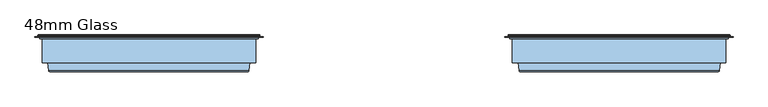
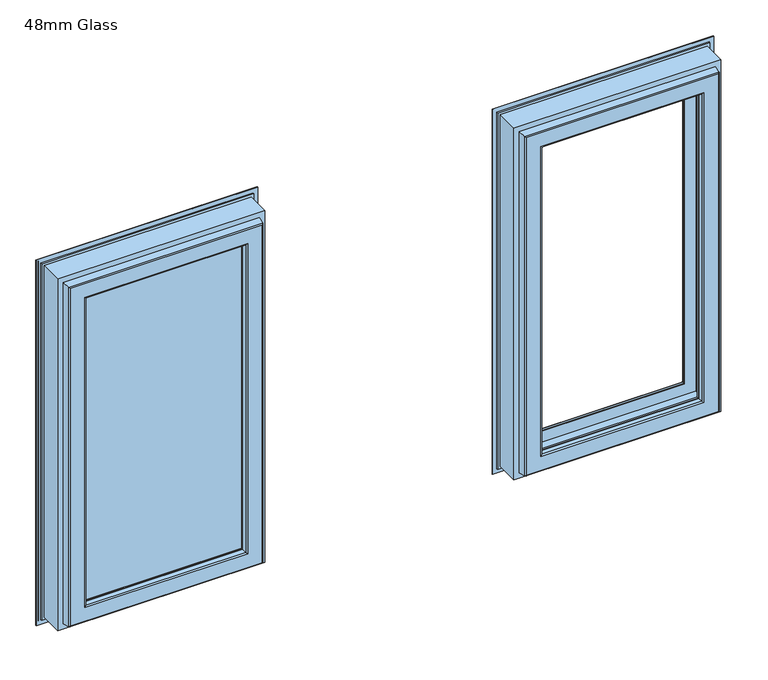
"""IFC4 building model written with IfcOpenShell, lengths in millimetres: window geometry, 48mm Glass."""

from ifc_helpers import new_model, si_unit, frame, origin, place, context, project, spatial, polyline, ellipse_curve, outline, extrude, source, transform, mapped, element, save
from ifc_brep_helpers import plane_surface, cylinder_surface, advanced_brep


def window_48mm_glass_299235ca(model_context):
    return source(origin(), model_context, "Body", "SolidModel", [
        advanced_brep(
        [(702.5, 148.6168436, 1640.5), (702.5, 145.5999985, 1640.5), (702.5, 145.5999985, 847.5), (702.5, 148.6168436, 847.5), (705.0, 153.0, 1643.0), (706.0, 152.0, 1644.0), (706.0, 152.0, 844.0), (705.0, 153.0, 845.0), (646.0012615, 141.0, 1584.0012615), (646.0012615, 142.3599713, 1584.0012615), (646.0012615, 142.3599713, 903.9987385), (646.0012615, 141.0, 903.9987385), (664.3697055, 93.0110098, 1602.3697055), (670.2620126, 141.0, 1608.2620126), (670.2620126, 141.0, 879.7379874), (664.3697055, 93.0110098, 885.6302945), (646.0013518, 90.0110098, 1584.0013518), (646.0013518, 93.0110098, 1584.0013518), (646.0013518, 93.0110098, 903.9986482), (646.0013518, 90.0110098, 903.9986482), (646.0232044, 88.8030982, 1584.0232044), (647.001352, 90.0110098, 1585.001352), (647.001352, 90.0110098, 902.998648), (646.0232044, 88.8030982, 903.9767956), (647.8120427, 80.376265, 1585.8120427), (647.8120427, 80.376265, 902.1879573), (650.7464855, 78.0, 1588.7464855), (650.7464855, 78.0, 899.2535145), (683.5618051, 79.7562613, 1621.5618051), (681.5767128, 78.0, 1619.5767128), (681.5767128, 78.0, 868.4232872), (683.5618051, 79.7562613, 866.4381949), (685.5562854, 96.0, 1623.5562854), (685.5562854, 96.0, 864.4437146), (697.0, 145.5999985, 1635.0), (697.0, 96.0, 1635.0), (697.0, 96.0, 853.0), (697.0, 145.5999985, 853.0), (256.5, 145.5999985, 847.5), (256.5, 148.6168436, 847.5), (253.0, 152.0, 844.0), (254.0, 153.0, 845.0), (312.9987385, 142.3599713, 903.9987385), (312.9987385, 141.0, 903.9987385), (288.7379874, 141.0, 879.7379874), (294.6302945, 93.0110098, 885.6302945), (312.9986482, 93.0110098, 903.9986482), (312.9986482, 90.0110098, 903.9986482), (311.998648, 90.0110098, 902.998648), (312.9767956, 88.8030982, 903.9767956), (311.1879573, 80.376265, 902.1879573), (308.2535145, 78.0, 899.2535145), (277.4232872, 78.0, 868.4232872), (275.4381949, 79.7562613, 866.4381949), (273.4437146, 96.0, 864.4437146), (262.0, 96.0, 853.0), (262.0, 145.5999985, 853.0), (256.5, 145.5999985, 1640.5), (256.5, 148.6168436, 1640.5), (253.0, 152.0, 1644.0), (254.0, 153.0, 1643.0), (312.9987385, 142.3599713, 1584.0012615), (312.9987385, 141.0, 1584.0012615), (288.7379874, 141.0, 1608.2620126), (294.6302945, 93.0110098, 1602.3697055), (312.9986482, 93.0110098, 1584.0013518), (312.9986482, 90.0110098, 1584.0013518), (311.998648, 90.0110098, 1585.001352), (312.9767956, 88.8030982, 1584.0232044), (311.1879573, 80.376265, 1585.8120427), (308.2535145, 78.0, 1588.7464855), (277.4232872, 78.0, 1619.5767128), (275.4381949, 79.7562613, 1621.5618051), (273.4437146, 96.0, 1623.5562854), (262.0, 96.0, 1635.0), (262.0, 145.5999985, 1635.0), (712.1997151, 149.6865589, 837.8002849), (246.8002849, 149.6865589, 837.8002849), (246.8002849, 149.6865589, 1650.1997151), (712.1997151, 149.6865589, 1650.1997151), (706.0, 149.6865589, 1644.0), (253.0, 149.6865589, 1644.0), (253.0, 149.6865589, 844.0), (706.0, 149.6865589, 844.0), (712.1997151, 148.6168436, 1650.1997151), (712.1997151, 148.6168436, 837.8002849), (246.8002849, 148.6168436, 837.8002849), (246.8002849, 148.6168436, 1650.1997151), (648.8249234, 151.5957532, 1586.8249234), (650.5279664, 153.0, 1588.5279664), (650.5279664, 153.0, 899.4720336), (648.8249234, 151.5957532, 901.1750766), (308.4720336, 153.0, 899.4720336), (310.1750766, 151.5957532, 901.1750766), (308.4720336, 153.0, 1588.5279664), (310.1750766, 151.5957532, 1586.8249234)],
        [
            (0, 1),
            (1, 2),
            (2, 3),
            (3, 0),
            (4, 5, ellipse_curve(frame((705.0, 152.0, 1643.0), z_axis=(0.7071067811865475, 0.0, -0.7071067811865475), x_axis=(0.7071067811865474, 0.0, 0.7071067811865476)), 1.4142136, 1.0)),
            (5, 6),
            (6, 7, ellipse_curve(frame((705.0, 152.0, 845.0), z_axis=(0.7071067811865475, 0.0, 0.7071067811865475), x_axis=(-0.7071067811865474, 0.0, 0.7071067811865476)), 1.4142136, 1.0)),
            (7, 4),
            (8, 9),
            (9, 10),
            (10, 11),
            (11, 8),
            (12, 13),
            (13, 14),
            (14, 15),
            (15, 12),
            (16, 17),
            (17, 18),
            (18, 19),
            (19, 16),
            (20, 21, ellipse_curve(frame((647.001352, 89.0110098, 1585.001352), z_axis=(0.7071067811865475, 0.0, -0.7071067811865475), x_axis=(0.7071067811865474, 0.0, 0.7071067811865476)), 1.4142136, 1.0)),
            (21, 22),
            (22, 23, ellipse_curve(frame((647.001352, 89.0110098, 902.998648), z_axis=(0.7071067811865475, 0.0, 0.7071067811865475), x_axis=(-0.7071067811865474, 0.0, 0.7071067811865476)), 1.4142136, 1.0)),
            (23, 20),
            (24, 20),
            (23, 25),
            (25, 24),
            (26, 24, ellipse_curve(frame((650.7464855, 81.0, 1588.7464855), z_axis=(0.7071067811865475, 0.0, -0.7071067811865475), x_axis=(0.7071067811865474, 0.0, 0.7071067811865476)), 4.2426407, 3.0)),
            (25, 27, ellipse_curve(frame((650.7464855, 81.0, 899.2535145), z_axis=(0.7071067811865475, 0.0, 0.7071067811865475), x_axis=(-0.7071067811865474, 0.0, 0.7071067811865476)), 4.2426407, 3.0)),
            (27, 26),
            (28, 29, ellipse_curve(frame((681.5767128, 80.0, 1619.5767128), z_axis=(0.7071067811865475, 0.0, -0.7071067811865475), x_axis=(0.7071067811865474, 0.0, 0.7071067811865476)), 2.8284271, 2.0)),
            (29, 30),
            (30, 31, ellipse_curve(frame((681.5767128, 80.0, 868.4232872), z_axis=(0.7071067811865475, 0.0, 0.7071067811865475), x_axis=(-0.7071067811865474, 0.0, 0.7071067811865476)), 2.8284271, 2.0)),
            (31, 28),
            (32, 28),
            (31, 33),
            (33, 32),
            (34, 35),
            (35, 36),
            (36, 37),
            (37, 34),
            (2, 38),
            (38, 39),
            (39, 3),
            (6, 40),
            (40, 41, ellipse_curve(frame((254.0, 152.0, 845.0), z_axis=(0.7071067811865475, 0.0, -0.7071067811865475), x_axis=(0.7071067811865476, 0.0, 0.7071067811865474)), 1.4142136, 1.0)),
            (41, 7),
            (10, 42),
            (42, 43),
            (43, 11),
            (14, 44),
            (44, 45),
            (45, 15),
            (18, 46),
            (46, 47),
            (47, 19),
            (22, 48),
            (48, 49, ellipse_curve(frame((311.998648, 89.0110098, 902.998648), z_axis=(0.7071067811865475, 0.0, -0.7071067811865475), x_axis=(0.7071067811865476, 0.0, 0.7071067811865474)), 1.4142136, 1.0)),
            (49, 23),
            (49, 50),
            (50, 25),
            (50, 51, ellipse_curve(frame((308.2535145, 81.0, 899.2535145), z_axis=(0.7071067811865475, 0.0, -0.7071067811865475), x_axis=(0.7071067811865476, 0.0, 0.7071067811865474)), 4.2426407, 3.0)),
            (51, 27),
            (30, 52),
            (52, 53, ellipse_curve(frame((277.4232872, 80.0, 868.4232872), z_axis=(0.7071067811865475, 0.0, -0.7071067811865475), x_axis=(0.7071067811865476, 0.0, 0.7071067811865474)), 2.8284271, 2.0)),
            (53, 31),
            (53, 54),
            (54, 33),
            (36, 55),
            (55, 56),
            (56, 37),
            (38, 57),
            (57, 58),
            (58, 39),
            (40, 59),
            (59, 60, ellipse_curve(frame((254.0, 152.0, 1643.0), z_axis=(-0.7071067811865475, 0.0, -0.7071067811865475), x_axis=(0.7071067811865474, 0.0, -0.7071067811865476)), 1.4142136, 1.0)),
            (60, 41),
            (42, 61),
            (61, 62),
            (62, 43),
            (44, 63),
            (63, 64),
            (64, 45),
            (46, 65),
            (65, 66),
            (66, 47),
            (48, 67),
            (67, 68, ellipse_curve(frame((311.998648, 89.0110098, 1585.001352), z_axis=(-0.7071067811865475, 0.0, -0.7071067811865475), x_axis=(0.7071067811865474, 0.0, -0.7071067811865476)), 1.4142136, 1.0)),
            (68, 49),
            (68, 69),
            (69, 50),
            (69, 70, ellipse_curve(frame((308.2535145, 81.0, 1588.7464855), z_axis=(-0.7071067811865475, 0.0, -0.7071067811865475), x_axis=(0.7071067811865474, 0.0, -0.7071067811865476)), 4.2426407, 3.0)),
            (70, 51),
            (52, 71),
            (71, 72, ellipse_curve(frame((277.4232872, 80.0, 1619.5767128), z_axis=(-0.7071067811865475, 0.0, -0.7071067811865475), x_axis=(0.7071067811865474, 0.0, -0.7071067811865476)), 2.8284271, 2.0)),
            (72, 53),
            (72, 73),
            (73, 54),
            (55, 74),
            (74, 75),
            (75, 56),
            (1, 57),
            (75, 34),
            (0, 58),
            (76, 77),
            (77, 78),
            (78, 79),
            (79, 76),
            (80, 81),
            (81, 82),
            (82, 83),
            (83, 80),
            (59, 5),
            (4, 60),
            (61, 9),
            (8, 62),
            (13, 63),
            (12, 64),
            (17, 65),
            (16, 66),
            (21, 67),
            (20, 68),
            (24, 69),
            (26, 70),
            (29, 71),
            (28, 72),
            (32, 73),
            (35, 74),
            (79, 84),
            (84, 85),
            (85, 76),
            (5, 80),
            (83, 6),
            (85, 86),
            (86, 77),
            (82, 40),
            (86, 87),
            (87, 78),
            (81, 59),
            (84, 87),
            (88, 89, ellipse_curve(frame((650.7375329, 151.0110098, 1588.7375329), z_axis=(0.7071067811865475, 0.0, -0.7071067811865475), x_axis=(0.7071067811865474, 0.0, 0.7071067811865476)), 2.8284271, 2.0)),
            (89, 90),
            (90, 91, ellipse_curve(frame((650.7375329, 151.0110098, 899.2624671), z_axis=(0.7071067811865475, 0.0, 0.7071067811865475), x_axis=(-0.7071067811865474, 0.0, 0.7071067811865476)), 2.8284271, 2.0)),
            (91, 88),
            (9, 88),
            (91, 10),
            (90, 92),
            (92, 93, ellipse_curve(frame((308.2624671, 151.0110098, 899.2624671), z_axis=(0.7071067811865475, 0.0, -0.7071067811865475), x_axis=(0.7071067811865476, 0.0, 0.7071067811865474)), 2.8284271, 2.0)),
            (93, 91),
            (93, 42),
            (92, 94),
            (94, 95, ellipse_curve(frame((308.2624671, 151.0110098, 1588.7375329), z_axis=(-0.7071067811865475, 0.0, -0.7071067811865475), x_axis=(0.7071067811865474, 0.0, -0.7071067811865476)), 2.8284271, 2.0)),
            (95, 93),
            (95, 61),
            (89, 94),
            (88, 95),
        ],
        [
            plane_surface(frame((702.5, 145.5999985, 1640.5), z_axis=(1.0, 0.0, 0.0), x_axis=(0.0, 0.0, -1.0))),
            cylinder_surface(frame((705.0, 152.0, 1635.0), z_axis=(0.0, 0.0, 1.0), x_axis=(0.0, -1.0, 0.0)), 1.0),
            plane_surface(frame((646.0012615, 142.3599713, 1584.0012615), z_axis=(-1.0, 0.0, 0.0), x_axis=(0.0, 0.0, -1.0))),
            plane_surface(frame((670.2620126, 141.0, 1608.2620126), z_axis=(-0.992546151641323, 0.12186934340513976, 0.0), x_axis=(0.0, 0.0, -1.0))),
            plane_surface(frame((646.0013518, 93.0110098, 1584.0013518), z_axis=(-1.0, 0.0, 0.0), x_axis=(0.0, 0.0, -1.0))),
            cylinder_surface(frame((647.001352, 89.0110098, 1635.0), z_axis=(0.0, 0.0, 1.0), x_axis=(0.0, -1.0, 0.0)), 1.0),
            plane_surface(frame((646.0232044, 88.8030982, 1584.0232044), z_axis=(-0.9782028159557521, -0.2076517538000511, 0.0), x_axis=(0.0, 0.0, -1.0))),
            cylinder_surface(frame((650.7464855, 81.0, 1635.0), z_axis=(0.0, 0.0, 1.0), x_axis=(0.0, -1.0, 0.0)), 3.0),
            cylinder_surface(frame((681.5767128, 80.0, 1635.0), z_axis=(0.0, 0.0, 1.0), x_axis=(0.0, -1.0, 0.0)), 2.0),
            plane_surface(frame((683.5618051, 79.7562613, 1621.5618051), z_axis=(0.9925461516416152, -0.12186934340276044, 0.0), x_axis=(0.0, 0.0, -1.0))),
            plane_surface(frame((697.0, 96.0, 1635.0), z_axis=(1.0, 0.0, 0.0), x_axis=(0.0, 0.0, -1.0))),
            plane_surface(frame((702.5, 145.5999985, 847.5), z_axis=(0.0, 0.0, -1.0), x_axis=(-1.0, 0.0, 0.0))),
            cylinder_surface(frame((697.0, 152.0, 845.0), z_axis=(1.0, 0.0, 0.0), x_axis=(0.0, -1.0, 0.0)), 1.0),
            plane_surface(frame((646.0012615, 142.3599713, 903.9987385), z_axis=(0.0, 0.0, 1.0), x_axis=(-1.0, 0.0, 0.0))),
            plane_surface(frame((670.2620126, 141.0, 879.7379874), z_axis=(0.0, 0.12186934340513976, 0.992546151641323), x_axis=(-1.0, 0.0, 0.0))),
            plane_surface(frame((646.0013518, 93.0110098, 903.9986482), z_axis=(0.0, 0.0, 1.0), x_axis=(-1.0, 0.0, 0.0))),
            cylinder_surface(frame((697.0, 89.0110098, 902.998648), z_axis=(1.0, 0.0, 0.0), x_axis=(0.0, -1.0, 0.0)), 1.0),
            plane_surface(frame((646.0232044, 88.8030982, 903.9767956), z_axis=(0.0, -0.2076517538000511, 0.9782028159557521), x_axis=(-1.0, 0.0, 0.0))),
            cylinder_surface(frame((697.0, 81.0, 899.2535145), z_axis=(1.0, 0.0, 0.0), x_axis=(0.0, -1.0, 0.0)), 3.0),
            cylinder_surface(frame((697.0, 80.0, 868.4232872), z_axis=(1.0, 0.0, 0.0), x_axis=(0.0, -1.0, 0.0)), 2.0),
            plane_surface(frame((683.5618051, 79.7562613, 866.4381949), z_axis=(0.0, -0.12186934340276044, -0.9925461516416152), x_axis=(-1.0, 0.0, 0.0))),
            plane_surface(frame((697.0, 96.0, 853.0), z_axis=(0.0, 0.0, -1.0), x_axis=(-1.0, 0.0, 0.0))),
            plane_surface(frame((256.5, 145.5999985, 847.5), z_axis=(-1.0, 0.0, 0.0), x_axis=(0.0, 0.0, 1.0))),
            cylinder_surface(frame((254.0, 152.0, 853.0), z_axis=(0.0, 0.0, -1.0), x_axis=(0.0, -1.0, 0.0)), 1.0),
            plane_surface(frame((312.9987385, 142.3599713, 903.9987385), z_axis=(1.0, 0.0, 0.0), x_axis=(0.0, 0.0, 1.0))),
            plane_surface(frame((288.7379874, 141.0, 879.7379874), z_axis=(0.992546151641323, 0.12186934340513976, 0.0), x_axis=(0.0, 0.0, 1.0))),
            plane_surface(frame((312.9986482, 93.0110098, 903.9986482), z_axis=(1.0, 0.0, 0.0), x_axis=(0.0, 0.0, 1.0))),
            cylinder_surface(frame((311.998648, 89.0110098, 853.0), z_axis=(0.0, 0.0, -1.0), x_axis=(0.0, -1.0, 0.0)), 1.0),
            plane_surface(frame((312.9767956, 88.8030982, 903.9767956), z_axis=(0.9782028159557521, -0.2076517538000511, 0.0), x_axis=(0.0, 0.0, 1.0))),
            cylinder_surface(frame((308.2535145, 81.0, 853.0), z_axis=(0.0, 0.0, -1.0), x_axis=(0.0, -1.0, 0.0)), 3.0),
            cylinder_surface(frame((277.4232872, 80.0, 853.0), z_axis=(0.0, 0.0, -1.0), x_axis=(0.0, -1.0, 0.0)), 2.0),
            plane_surface(frame((275.4381949, 79.7562613, 866.4381949), z_axis=(-0.9925461516416152, -0.12186934340276044, 0.0), x_axis=(0.0, 0.0, 1.0))),
            plane_surface(frame((262.0, 96.0, 853.0), z_axis=(-1.0, 0.0, 0.0), x_axis=(0.0, 0.0, 1.0))),
            plane_surface(frame((262.0, 145.5999985, 1635.0), z_axis=(0.0, -1.0, 0.0), x_axis=(1.0, 0.0, 0.0))),
            plane_surface(frame((256.5, 145.5999985, 1640.5), z_axis=(0.0, 0.0, 1.0), x_axis=(1.0, 0.0, 0.0))),
            plane_surface(frame((246.8002849, 149.6865589, 1650.1997151), z_axis=(0.0, 1.0, 0.0), x_axis=(1.0, 0.0, 0.0))),
            cylinder_surface(frame((262.0, 152.0, 1643.0), z_axis=(-1.0, 0.0, 0.0), x_axis=(0.0, -1.0, 0.0)), 1.0),
            plane_surface(frame((312.9987385, 142.3599713, 1584.0012615), z_axis=(0.0, 0.0, -1.0), x_axis=(1.0, 0.0, 0.0))),
            plane_surface(frame((312.9987385, 141.0, 1584.0012615), z_axis=(0.0, -1.0, 0.0), x_axis=(1.0, 0.0, 0.0))),
            plane_surface(frame((288.7379874, 141.0, 1608.2620126), z_axis=(0.0, 0.12186934340513976, -0.992546151641323), x_axis=(1.0, 0.0, 0.0))),
            plane_surface(frame((294.6302945, 93.0110098, 1602.3697055), z_axis=(0.0, 1.0, 0.0), x_axis=(1.0, 0.0, 0.0))),
            plane_surface(frame((312.9986482, 93.0110098, 1584.0013518), z_axis=(0.0, 0.0, -1.0), x_axis=(1.0, 0.0, 0.0))),
            plane_surface(frame((312.9986482, 90.0110098, 1584.0013518), z_axis=(0.0, -1.0, 0.0), x_axis=(1.0, 0.0, 0.0))),
            cylinder_surface(frame((262.0, 89.0110098, 1585.001352), z_axis=(-1.0, 0.0, 0.0), x_axis=(0.0, -1.0, 0.0)), 1.0),
            plane_surface(frame((312.9767956, 88.8030982, 1584.0232044), z_axis=(0.0, -0.2076517538000511, -0.9782028159557521), x_axis=(1.0, 0.0, 0.0))),
            cylinder_surface(frame((262.0, 81.0, 1588.7464855), z_axis=(-1.0, 0.0, 0.0), x_axis=(0.0, -1.0, 0.0)), 3.0),
            plane_surface(frame((308.2535145, 78.0, 1588.7464855), z_axis=(0.0, -1.0, 0.0), x_axis=(1.0, 0.0, 0.0))),
            cylinder_surface(frame((262.0, 80.0, 1619.5767128), z_axis=(-1.0, 0.0, 0.0), x_axis=(0.0, -1.0, 0.0)), 2.0),
            plane_surface(frame((275.4381949, 79.7562613, 1621.5618051), z_axis=(0.0, -0.12186934340276044, 0.9925461516416152), x_axis=(1.0, 0.0, 0.0))),
            plane_surface(frame((273.4437146, 96.0, 1623.5562854), z_axis=(0.0, -1.0, 0.0), x_axis=(1.0, 0.0, 0.0))),
            plane_surface(frame((262.0, 96.0, 1635.0), z_axis=(0.0, 0.0, 1.0), x_axis=(1.0, 0.0, 0.0))),
            plane_surface(frame((712.1997151, 148.6168436, 1650.1997151), z_axis=(1.0, 0.0, 0.0), x_axis=(0.0, 0.0, -1.0))),
            plane_surface(frame((706.0, 149.6865589, 1644.0), z_axis=(1.0, 0.0, 0.0), x_axis=(0.0, 0.0, -1.0))),
            plane_surface(frame((712.1997151, 148.6168436, 837.8002849), z_axis=(0.0, 0.0, -1.0), x_axis=(-1.0, 0.0, 0.0))),
            plane_surface(frame((706.0, 149.6865589, 844.0), z_axis=(0.0, 0.0, -1.0), x_axis=(-1.0, 0.0, 0.0))),
            plane_surface(frame((246.8002849, 148.6168436, 837.8002849), z_axis=(-1.0, 0.0, 0.0), x_axis=(0.0, 0.0, 1.0))),
            plane_surface(frame((253.0, 149.6865589, 844.0), z_axis=(-1.0, 0.0, 0.0), x_axis=(0.0, 0.0, 1.0))),
            plane_surface(frame((256.5, 148.6168436, 1640.5), z_axis=(0.0, -1.0, 0.0), x_axis=(1.0, 0.0, 0.0))),
            plane_surface(frame((246.8002849, 148.6168436, 1650.1997151), z_axis=(0.0, 0.0, 1.0), x_axis=(1.0, 0.0, 0.0))),
            plane_surface(frame((253.0, 149.6865589, 1644.0), z_axis=(0.0, 0.0, 1.0), x_axis=(1.0, 0.0, 0.0))),
            cylinder_surface(frame((650.7375329, 151.0110098, 1635.0), z_axis=(0.0, 0.0, 1.0), x_axis=(0.0, -1.0, 0.0)), 2.0),
            plane_surface(frame((648.8249234, 151.5957532, 1586.8249234), z_axis=(-0.9563047559630313, 0.2923717047227505, 0.0), x_axis=(0.0, 0.0, -1.0))),
            cylinder_surface(frame((697.0, 151.0110098, 899.2624671), z_axis=(1.0, 0.0, 0.0), x_axis=(0.0, -1.0, 0.0)), 2.0),
            plane_surface(frame((648.8249234, 151.5957532, 901.1750766), z_axis=(0.0, 0.2923717047227505, 0.9563047559630313), x_axis=(-1.0, 0.0, 0.0))),
            cylinder_surface(frame((308.2624671, 151.0110098, 853.0), z_axis=(0.0, 0.0, -1.0), x_axis=(0.0, -1.0, 0.0)), 2.0),
            plane_surface(frame((310.1750766, 151.5957532, 901.1750766), z_axis=(0.9563047559630313, 0.2923717047227505, 0.0), x_axis=(0.0, 0.0, 1.0))),
            plane_surface(frame((254.0, 153.0, 1643.0), z_axis=(0.0, 1.0, 0.0), x_axis=(1.0, 0.0, 0.0))),
            cylinder_surface(frame((262.0, 151.0110098, 1588.7375329), z_axis=(-1.0, 0.0, 0.0), x_axis=(0.0, -1.0, 0.0)), 2.0),
            plane_surface(frame((310.1750766, 151.5957532, 1586.8249234), z_axis=(0.0, 0.2923717047227505, -0.9563047559630313), x_axis=(1.0, 0.0, 0.0))),
        ],
        [
            (0, [[1, 2, 3, 4]]),
            (1, [[5, 6, 7, 8]]),
            (2, [[9, 10, 11, 12]]),
            (3, [[13, 14, 15, 16]]),
            (4, [[17, 18, 19, 20]]),
            (5, [[21, 22, 23, 24]]),
            (6, [[25, -24, 26, 27]]),
            (7, [[28, -27, 29, 30]]),
            (8, [[31, 32, 33, 34]]),
            (9, [[35, -34, 36, 37]]),
            (10, [[38, 39, 40, 41]]),
            (11, [[-3, 42, 43, 44]]),
            (12, [[-7, 45, 46, 47]]),
            (13, [[-11, 48, 49, 50]]),
            (14, [[-15, 51, 52, 53]]),
            (15, [[-19, 54, 55, 56]]),
            (16, [[-23, 57, 58, 59]]),
            (17, [[-26, -59, 60, 61]]),
            (18, [[-29, -61, 62, 63]]),
            (19, [[-33, 64, 65, 66]]),
            (20, [[-36, -66, 67, 68]]),
            (21, [[-40, 69, 70, 71]]),
            (22, [[-43, 72, 73, 74]]),
            (23, [[-46, 75, 76, 77]]),
            (24, [[-49, 78, 79, 80]]),
            (25, [[-52, 81, 82, 83]]),
            (26, [[-55, 84, 85, 86]]),
            (27, [[-58, 87, 88, 89]]),
            (28, [[-60, -89, 90, 91]]),
            (29, [[-62, -91, 92, 93]]),
            (30, [[-65, 94, 95, 96]]),
            (31, [[-67, -96, 97, 98]]),
            (32, [[-70, 99, 100, 101]]),
            (33, [[102, -72, -42, -2], [-71, -101, 103, -41]]),
            (34, [[-73, -102, -1, 104]]),
            (35, [[105, 106, 107, 108], [109, 110, 111, 112]]),
            (36, [[-76, 113, -5, 114]]),
            (37, [[-79, 115, -9, 116]]),
            (38, [[117, -81, -51, -14], [-50, -80, -116, -12]]),
            (39, [[-82, -117, -13, 118]]),
            (40, [[-53, -83, -118, -16], [119, -84, -54, -18]]),
            (41, [[-85, -119, -17, 120]]),
            (42, [[121, -87, -57, -22], [-56, -86, -120, -20]]),
            (43, [[-88, -121, -21, 122]]),
            (44, [[-90, -122, -25, 123]]),
            (45, [[-92, -123, -28, 124]]),
            (46, [[125, -94, -64, -32], [-63, -93, -124, -30]]),
            (47, [[-95, -125, -31, 126]]),
            (48, [[-97, -126, -35, 127]]),
            (49, [[128, -99, -69, -39], [-68, -98, -127, -37]]),
            (50, [[-100, -128, -38, -103]]),
            (51, [[129, 130, 131, -108]]),
            (52, [[132, -112, 133, -6]]),
            (53, [[-131, 134, 135, -105]]),
            (54, [[-133, -111, 136, -45]]),
            (55, [[-135, 137, 138, -106]]),
            (56, [[-136, -110, 139, -75]]),
            (57, [[140, -137, -134, -130], [-44, -74, -104, -4]]),
            (58, [[-138, -140, -129, -107]]),
            (59, [[-139, -109, -132, -113]]),
            (60, [[141, 142, 143, 144]]),
            (61, [[145, -144, 146, -10]]),
            (62, [[-143, 147, 148, 149]]),
            (63, [[-146, -149, 150, -48]]),
            (64, [[-148, 151, 152, 153]]),
            (65, [[-150, -153, 154, -78]]),
            (66, [[-47, -77, -114, -8], [155, -151, -147, -142]]),
            (67, [[-152, -155, -141, 156]]),
            (68, [[-154, -156, -145, -115]]),
        ],
    ),
        extrude(outline(polyline([(-299.0, 93.0110098), (-660.0, 93.0110098), (-660.0, 141.0110098), (-299.0, 141.0110098), (-299.0, 93.0110098)])), frame((0.0, 0.0, 890.0), z_axis=(0.0, 0.0, 1.0), x_axis=(1.0, 0.0, 0.0)), (0.0, 0.0, 1.0), 708.0),
        advanced_brep(
        [(-256.5, 148.6168436, 1640.5), (-256.5, 145.5999985, 1640.5), (-256.5, 145.5999985, 847.5), (-256.5, 148.6168436, 847.5), (-254.0, 153.0, 1643.0), (-253.0, 152.0, 1644.0), (-253.0, 152.0, 844.0), (-254.0, 153.0, 845.0), (-312.9987385, 141.0, 1584.0012615), (-312.9987385, 142.3599713, 1584.0012615), (-312.9987385, 142.3599713, 903.9987385), (-312.9987385, 141.0, 903.9987385), (-294.6302945, 93.0110098, 1602.3697055), (-288.7379874, 141.0, 1608.2620126), (-288.7379874, 141.0, 879.7379874), (-294.6302945, 93.0110098, 885.6302945), (-312.9986482, 90.0110098, 1584.0013518), (-312.9986482, 93.0110098, 1584.0013518), (-312.9986482, 93.0110098, 903.9986482), (-312.9986482, 90.0110098, 903.9986482), (-312.9767956, 88.8030982, 1584.0232044), (-311.998648, 90.0110098, 1585.001352), (-311.998648, 90.0110098, 902.998648), (-312.9767956, 88.8030982, 903.9767956), (-311.1879573, 80.376265, 1585.8120427), (-311.1879573, 80.376265, 902.1879573), (-308.2535145, 78.0, 1588.7464855), (-308.2535145, 78.0, 899.2535145), (-275.4381949, 79.7562613, 1621.5618051), (-277.4232872, 78.0, 1619.5767128), (-277.4232872, 78.0, 868.4232872), (-275.4381949, 79.7562613, 866.4381949), (-273.4437146, 96.0, 1623.5562854), (-273.4437146, 96.0, 864.4437146), (-262.0, 145.5999985, 1635.0), (-262.0, 96.0, 1635.0), (-262.0, 96.0, 853.0), (-262.0, 145.5999985, 853.0), (-702.5, 145.5999985, 847.5), (-702.5, 148.6168436, 847.5), (-706.0, 152.0, 844.0), (-705.0, 153.0, 845.0), (-646.0012615, 142.3599713, 903.9987385), (-646.0012615, 141.0, 903.9987385), (-670.2620126, 141.0, 879.7379874), (-664.3697055, 93.0110098, 885.6302945), (-646.0013518, 93.0110098, 903.9986482), (-646.0013518, 90.0110098, 903.9986482), (-647.001352, 90.0110098, 902.998648), (-646.0232044, 88.8030982, 903.9767956), (-647.8120427, 80.376265, 902.1879573), (-650.7464855, 78.0, 899.2535145), (-681.5767128, 78.0, 868.4232872), (-683.5618051, 79.7562613, 866.4381949), (-685.5562854, 96.0, 864.4437146), (-697.0, 96.0, 853.0), (-697.0, 145.5999985, 853.0), (-702.5, 145.5999985, 1640.5), (-702.5, 148.6168436, 1640.5), (-706.0, 152.0, 1644.0), (-705.0, 153.0, 1643.0), (-646.0012615, 142.3599713, 1584.0012615), (-646.0012615, 141.0, 1584.0012615), (-670.2620126, 141.0, 1608.2620126), (-664.3697055, 93.0110098, 1602.3697055), (-646.0013518, 93.0110098, 1584.0013518), (-646.0013518, 90.0110098, 1584.0013518), (-647.001352, 90.0110098, 1585.001352), (-646.0232044, 88.8030982, 1584.0232044), (-647.8120427, 80.376265, 1585.8120427), (-650.7464855, 78.0, 1588.7464855), (-681.5767128, 78.0, 1619.5767128), (-683.5618051, 79.7562613, 1621.5618051), (-685.5562854, 96.0, 1623.5562854), (-697.0, 96.0, 1635.0), (-697.0, 145.5999985, 1635.0), (-246.8002849, 149.6865589, 837.8002849), (-712.1997151, 149.6865589, 837.8002849), (-712.1997151, 149.6865589, 1650.1997151), (-246.8002849, 149.6865589, 1650.1997151), (-253.0, 149.6865589, 1644.0), (-706.0, 149.6865589, 1644.0), (-706.0, 149.6865589, 844.0), (-253.0, 149.6865589, 844.0), (-246.8002849, 148.6168436, 1650.1997151), (-246.8002849, 148.6168436, 837.8002849), (-712.1997151, 148.6168436, 837.8002849), (-712.1997151, 148.6168436, 1650.1997151), (-310.1750766, 151.5957532, 1586.8249234), (-308.4720336, 153.0, 1588.5279664), (-308.4720336, 153.0, 899.4720336), (-310.1750766, 151.5957532, 901.1750766), (-650.5279664, 153.0, 899.4720336), (-648.8249234, 151.5957532, 901.1750766), (-650.5279664, 153.0, 1588.5279664), (-648.8249234, 151.5957532, 1586.8249234)],
        [
            (0, 1),
            (1, 2),
            (2, 3),
            (3, 0),
            (4, 5, ellipse_curve(frame((-254.0, 152.0, 1643.0), z_axis=(0.7071067811865475, 0.0, -0.7071067811865475), x_axis=(0.7071067811865474, 0.0, 0.7071067811865476)), 1.4142136, 1.0)),
            (5, 6),
            (6, 7, ellipse_curve(frame((-254.0, 152.0, 845.0), z_axis=(0.7071067811865475, 0.0, 0.7071067811865475), x_axis=(-0.7071067811865474, 0.0, 0.7071067811865476)), 1.4142136, 1.0)),
            (7, 4),
            (8, 9),
            (9, 10),
            (10, 11),
            (11, 8),
            (12, 13),
            (13, 14),
            (14, 15),
            (15, 12),
            (16, 17),
            (17, 18),
            (18, 19),
            (19, 16),
            (20, 21, ellipse_curve(frame((-311.998648, 89.0110098, 1585.001352), z_axis=(0.7071067811865475, 0.0, -0.7071067811865475), x_axis=(0.7071067811865474, 0.0, 0.7071067811865476)), 1.4142136, 1.0)),
            (21, 22),
            (22, 23, ellipse_curve(frame((-311.998648, 89.0110098, 902.998648), z_axis=(0.7071067811865475, 0.0, 0.7071067811865475), x_axis=(-0.7071067811865474, 0.0, 0.7071067811865476)), 1.4142136, 1.0)),
            (23, 20),
            (24, 20),
            (23, 25),
            (25, 24),
            (26, 24, ellipse_curve(frame((-308.2535145, 81.0, 1588.7464855), z_axis=(0.7071067811865475, 0.0, -0.7071067811865475), x_axis=(0.7071067811865474, 0.0, 0.7071067811865476)), 4.2426407, 3.0)),
            (25, 27, ellipse_curve(frame((-308.2535145, 81.0, 899.2535145), z_axis=(0.7071067811865475, 0.0, 0.7071067811865475), x_axis=(-0.7071067811865474, 0.0, 0.7071067811865476)), 4.2426407, 3.0)),
            (27, 26),
            (28, 29, ellipse_curve(frame((-277.4232872, 80.0, 1619.5767128), z_axis=(0.7071067811865475, 0.0, -0.7071067811865475), x_axis=(0.7071067811865474, 0.0, 0.7071067811865476)), 2.8284271, 2.0)),
            (29, 30),
            (30, 31, ellipse_curve(frame((-277.4232872, 80.0, 868.4232872), z_axis=(0.7071067811865475, 0.0, 0.7071067811865475), x_axis=(-0.7071067811865474, 0.0, 0.7071067811865476)), 2.8284271, 2.0)),
            (31, 28),
            (32, 28),
            (31, 33),
            (33, 32),
            (34, 35),
            (35, 36),
            (36, 37),
            (37, 34),
            (2, 38),
            (38, 39),
            (39, 3),
            (6, 40),
            (40, 41, ellipse_curve(frame((-705.0, 152.0, 845.0), z_axis=(0.7071067811865475, 0.0, -0.7071067811865475), x_axis=(0.7071067811865476, 0.0, 0.7071067811865474)), 1.4142136, 1.0)),
            (41, 7),
            (10, 42),
            (42, 43),
            (43, 11),
            (14, 44),
            (44, 45),
            (45, 15),
            (18, 46),
            (46, 47),
            (47, 19),
            (22, 48),
            (48, 49, ellipse_curve(frame((-647.001352, 89.0110098, 902.998648), z_axis=(0.7071067811865475, 0.0, -0.7071067811865475), x_axis=(0.7071067811865476, 0.0, 0.7071067811865474)), 1.4142136, 1.0)),
            (49, 23),
            (49, 50),
            (50, 25),
            (50, 51, ellipse_curve(frame((-650.7464855, 81.0, 899.2535145), z_axis=(0.7071067811865475, 0.0, -0.7071067811865475), x_axis=(0.7071067811865476, 0.0, 0.7071067811865474)), 4.2426407, 3.0)),
            (51, 27),
            (30, 52),
            (52, 53, ellipse_curve(frame((-681.5767128, 80.0, 868.4232872), z_axis=(0.7071067811865475, 0.0, -0.7071067811865475), x_axis=(0.7071067811865476, 0.0, 0.7071067811865474)), 2.8284271, 2.0)),
            (53, 31),
            (53, 54),
            (54, 33),
            (36, 55),
            (55, 56),
            (56, 37),
            (38, 57),
            (57, 58),
            (58, 39),
            (40, 59),
            (59, 60, ellipse_curve(frame((-705.0, 152.0, 1643.0), z_axis=(-0.7071067811865475, 0.0, -0.7071067811865475), x_axis=(0.7071067811865474, 0.0, -0.7071067811865476)), 1.4142136, 1.0)),
            (60, 41),
            (42, 61),
            (61, 62),
            (62, 43),
            (44, 63),
            (63, 64),
            (64, 45),
            (46, 65),
            (65, 66),
            (66, 47),
            (48, 67),
            (67, 68, ellipse_curve(frame((-647.001352, 89.0110098, 1585.001352), z_axis=(-0.7071067811865475, 0.0, -0.7071067811865475), x_axis=(0.7071067811865474, 0.0, -0.7071067811865476)), 1.4142136, 1.0)),
            (68, 49),
            (68, 69),
            (69, 50),
            (69, 70, ellipse_curve(frame((-650.7464855, 81.0, 1588.7464855), z_axis=(-0.7071067811865475, 0.0, -0.7071067811865475), x_axis=(0.7071067811865474, 0.0, -0.7071067811865476)), 4.2426407, 3.0)),
            (70, 51),
            (52, 71),
            (71, 72, ellipse_curve(frame((-681.5767128, 80.0, 1619.5767128), z_axis=(-0.7071067811865475, 0.0, -0.7071067811865475), x_axis=(0.7071067811865474, 0.0, -0.7071067811865476)), 2.8284271, 2.0)),
            (72, 53),
            (72, 73),
            (73, 54),
            (55, 74),
            (74, 75),
            (75, 56),
            (1, 57),
            (75, 34),
            (0, 58),
            (76, 77),
            (77, 78),
            (78, 79),
            (79, 76),
            (80, 81),
            (81, 82),
            (82, 83),
            (83, 80),
            (59, 5),
            (4, 60),
            (61, 9),
            (8, 62),
            (13, 63),
            (12, 64),
            (17, 65),
            (16, 66),
            (21, 67),
            (20, 68),
            (24, 69),
            (26, 70),
            (29, 71),
            (28, 72),
            (32, 73),
            (35, 74),
            (79, 84),
            (84, 85),
            (85, 76),
            (5, 80),
            (83, 6),
            (85, 86),
            (86, 77),
            (82, 40),
            (86, 87),
            (87, 78),
            (81, 59),
            (84, 87),
            (88, 89, ellipse_curve(frame((-308.2624671, 151.0110098, 1588.7375329), z_axis=(0.7071067811865475, 0.0, -0.7071067811865475), x_axis=(0.7071067811865474, 0.0, 0.7071067811865476)), 2.8284271, 2.0)),
            (89, 90),
            (90, 91, ellipse_curve(frame((-308.2624671, 151.0110098, 899.2624671), z_axis=(0.7071067811865475, 0.0, 0.7071067811865475), x_axis=(-0.7071067811865474, 0.0, 0.7071067811865476)), 2.8284271, 2.0)),
            (91, 88),
            (9, 88),
            (91, 10),
            (90, 92),
            (92, 93, ellipse_curve(frame((-650.7375329, 151.0110098, 899.2624671), z_axis=(0.7071067811865475, 0.0, -0.7071067811865475), x_axis=(0.7071067811865476, 0.0, 0.7071067811865474)), 2.8284271, 2.0)),
            (93, 91),
            (93, 42),
            (92, 94),
            (94, 95, ellipse_curve(frame((-650.7375329, 151.0110098, 1588.7375329), z_axis=(-0.7071067811865475, 0.0, -0.7071067811865475), x_axis=(0.7071067811865474, 0.0, -0.7071067811865476)), 2.8284271, 2.0)),
            (95, 93),
            (95, 61),
            (89, 94),
            (88, 95),
        ],
        [
            plane_surface(frame((-256.5, 145.5999985, 1640.5), z_axis=(1.0, 0.0, 0.0), x_axis=(0.0, 0.0, -1.0))),
            cylinder_surface(frame((-254.0, 152.0, 1635.0), z_axis=(0.0, 0.0, 1.0), x_axis=(0.0, -1.0, 0.0)), 1.0),
            plane_surface(frame((-312.9987385, 142.3599713, 1584.0012615), z_axis=(-1.0, 0.0, 0.0), x_axis=(0.0, 0.0, -1.0))),
            plane_surface(frame((-288.7379874, 141.0, 1608.2620126), z_axis=(-0.992546151641323, 0.12186934340513976, 0.0), x_axis=(0.0, 0.0, -1.0))),
            plane_surface(frame((-312.9986482, 93.0110098, 1584.0013518), z_axis=(-1.0, 0.0, 0.0), x_axis=(0.0, 0.0, -1.0))),
            cylinder_surface(frame((-311.998648, 89.0110098, 1635.0), z_axis=(0.0, 0.0, 1.0), x_axis=(0.0, -1.0, 0.0)), 1.0),
            plane_surface(frame((-312.9767956, 88.8030982, 1584.0232044), z_axis=(-0.9782028159557521, -0.2076517538000511, 0.0), x_axis=(0.0, 0.0, -1.0))),
            cylinder_surface(frame((-308.2535145, 81.0, 1635.0), z_axis=(0.0, 0.0, 1.0), x_axis=(0.0, -1.0, 0.0)), 3.0),
            cylinder_surface(frame((-277.4232872, 80.0, 1635.0), z_axis=(0.0, 0.0, 1.0), x_axis=(0.0, -1.0, 0.0)), 2.0),
            plane_surface(frame((-275.4381949, 79.7562613, 1621.5618051), z_axis=(0.9925461516416152, -0.12186934340276044, 0.0), x_axis=(0.0, 0.0, -1.0))),
            plane_surface(frame((-262.0, 96.0, 1635.0), z_axis=(1.0, 0.0, 0.0), x_axis=(0.0, 0.0, -1.0))),
            plane_surface(frame((-256.5, 145.5999985, 847.5), z_axis=(0.0, 0.0, -1.0), x_axis=(-1.0, 0.0, 0.0))),
            cylinder_surface(frame((-262.0, 152.0, 845.0), z_axis=(1.0, 0.0, 0.0), x_axis=(0.0, -1.0, 0.0)), 1.0),
            plane_surface(frame((-312.9987385, 142.3599713, 903.9987385), z_axis=(0.0, 0.0, 1.0), x_axis=(-1.0, 0.0, 0.0))),
            plane_surface(frame((-288.7379874, 141.0, 879.7379874), z_axis=(0.0, 0.12186934340513976, 0.992546151641323), x_axis=(-1.0, 0.0, 0.0))),
            plane_surface(frame((-312.9986482, 93.0110098, 903.9986482), z_axis=(0.0, 0.0, 1.0), x_axis=(-1.0, 0.0, 0.0))),
            cylinder_surface(frame((-262.0, 89.0110098, 902.998648), z_axis=(1.0, 0.0, 0.0), x_axis=(0.0, -1.0, 0.0)), 1.0),
            plane_surface(frame((-312.9767956, 88.8030982, 903.9767956), z_axis=(0.0, -0.2076517538000511, 0.9782028159557521), x_axis=(-1.0, 0.0, 0.0))),
            cylinder_surface(frame((-262.0, 81.0, 899.2535145), z_axis=(1.0, 0.0, 0.0), x_axis=(0.0, -1.0, 0.0)), 3.0),
            cylinder_surface(frame((-262.0, 80.0, 868.4232872), z_axis=(1.0, 0.0, 0.0), x_axis=(0.0, -1.0, 0.0)), 2.0),
            plane_surface(frame((-275.4381949, 79.7562613, 866.4381949), z_axis=(0.0, -0.12186934340276044, -0.9925461516416152), x_axis=(-1.0, 0.0, 0.0))),
            plane_surface(frame((-262.0, 96.0, 853.0), z_axis=(0.0, 0.0, -1.0), x_axis=(-1.0, 0.0, 0.0))),
            plane_surface(frame((-702.5, 145.5999985, 847.5), z_axis=(-1.0, 0.0, 0.0), x_axis=(0.0, 0.0, 1.0))),
            cylinder_surface(frame((-705.0, 152.0, 853.0), z_axis=(0.0, 0.0, -1.0), x_axis=(0.0, -1.0, 0.0)), 1.0),
            plane_surface(frame((-646.0012615, 142.3599713, 903.9987385), z_axis=(1.0, 0.0, 0.0), x_axis=(0.0, 0.0, 1.0))),
            plane_surface(frame((-670.2620126, 141.0, 879.7379874), z_axis=(0.992546151641323, 0.12186934340513976, 0.0), x_axis=(0.0, 0.0, 1.0))),
            plane_surface(frame((-646.0013518, 93.0110098, 903.9986482), z_axis=(1.0, 0.0, 0.0), x_axis=(0.0, 0.0, 1.0))),
            cylinder_surface(frame((-647.001352, 89.0110098, 853.0), z_axis=(0.0, 0.0, -1.0), x_axis=(0.0, -1.0, 0.0)), 1.0),
            plane_surface(frame((-646.0232044, 88.8030982, 903.9767956), z_axis=(0.9782028159557521, -0.2076517538000511, 0.0), x_axis=(0.0, 0.0, 1.0))),
            cylinder_surface(frame((-650.7464855, 81.0, 853.0), z_axis=(0.0, 0.0, -1.0), x_axis=(0.0, -1.0, 0.0)), 3.0),
            cylinder_surface(frame((-681.5767128, 80.0, 853.0), z_axis=(0.0, 0.0, -1.0), x_axis=(0.0, -1.0, 0.0)), 2.0),
            plane_surface(frame((-683.5618051, 79.7562613, 866.4381949), z_axis=(-0.9925461516416152, -0.12186934340276044, 0.0), x_axis=(0.0, 0.0, 1.0))),
            plane_surface(frame((-697.0, 96.0, 853.0), z_axis=(-1.0, 0.0, 0.0), x_axis=(0.0, 0.0, 1.0))),
            plane_surface(frame((-697.0, 145.5999985, 1635.0), z_axis=(0.0, -1.0, 0.0), x_axis=(1.0, 0.0, 0.0))),
            plane_surface(frame((-702.5, 145.5999985, 1640.5), z_axis=(0.0, 0.0, 1.0), x_axis=(1.0, 0.0, 0.0))),
            plane_surface(frame((-712.1997151, 149.6865589, 1650.1997151), z_axis=(0.0, 1.0, 0.0), x_axis=(1.0, 0.0, 0.0))),
            cylinder_surface(frame((-697.0, 152.0, 1643.0), z_axis=(-1.0, 0.0, 0.0), x_axis=(0.0, -1.0, 0.0)), 1.0),
            plane_surface(frame((-646.0012615, 142.3599713, 1584.0012615), z_axis=(0.0, 0.0, -1.0), x_axis=(1.0, 0.0, 0.0))),
            plane_surface(frame((-646.0012615, 141.0, 1584.0012615), z_axis=(0.0, -1.0, 0.0), x_axis=(1.0, 0.0, 0.0))),
            plane_surface(frame((-670.2620126, 141.0, 1608.2620126), z_axis=(0.0, 0.12186934340513976, -0.992546151641323), x_axis=(1.0, 0.0, 0.0))),
            plane_surface(frame((-664.3697055, 93.0110098, 1602.3697055), z_axis=(0.0, 1.0, 0.0), x_axis=(1.0, 0.0, 0.0))),
            plane_surface(frame((-646.0013518, 93.0110098, 1584.0013518), z_axis=(0.0, 0.0, -1.0), x_axis=(1.0, 0.0, 0.0))),
            plane_surface(frame((-646.0013518, 90.0110098, 1584.0013518), z_axis=(0.0, -1.0, 0.0), x_axis=(1.0, 0.0, 0.0))),
            cylinder_surface(frame((-697.0, 89.0110098, 1585.001352), z_axis=(-1.0, 0.0, 0.0), x_axis=(0.0, -1.0, 0.0)), 1.0),
            plane_surface(frame((-646.0232044, 88.8030982, 1584.0232044), z_axis=(0.0, -0.2076517538000511, -0.9782028159557521), x_axis=(1.0, 0.0, 0.0))),
            cylinder_surface(frame((-697.0, 81.0, 1588.7464855), z_axis=(-1.0, 0.0, 0.0), x_axis=(0.0, -1.0, 0.0)), 3.0),
            plane_surface(frame((-650.7464855, 78.0, 1588.7464855), z_axis=(0.0, -1.0, 0.0), x_axis=(1.0, 0.0, 0.0))),
            cylinder_surface(frame((-697.0, 80.0, 1619.5767128), z_axis=(-1.0, 0.0, 0.0), x_axis=(0.0, -1.0, 0.0)), 2.0),
            plane_surface(frame((-683.5618051, 79.7562613, 1621.5618051), z_axis=(0.0, -0.12186934340276044, 0.9925461516416152), x_axis=(1.0, 0.0, 0.0))),
            plane_surface(frame((-685.5562854, 96.0, 1623.5562854), z_axis=(0.0, -1.0, 0.0), x_axis=(1.0, 0.0, 0.0))),
            plane_surface(frame((-697.0, 96.0, 1635.0), z_axis=(0.0, 0.0, 1.0), x_axis=(1.0, 0.0, 0.0))),
            plane_surface(frame((-246.8002849, 148.6168436, 1650.1997151), z_axis=(1.0, 0.0, 0.0), x_axis=(0.0, 0.0, -1.0))),
            plane_surface(frame((-253.0, 149.6865589, 1644.0), z_axis=(1.0, 0.0, 0.0), x_axis=(0.0, 0.0, -1.0))),
            plane_surface(frame((-246.8002849, 148.6168436, 837.8002849), z_axis=(0.0, 0.0, -1.0), x_axis=(-1.0, 0.0, 0.0))),
            plane_surface(frame((-253.0, 149.6865589, 844.0), z_axis=(0.0, 0.0, -1.0), x_axis=(-1.0, 0.0, 0.0))),
            plane_surface(frame((-712.1997151, 148.6168436, 837.8002849), z_axis=(-1.0, 0.0, 0.0), x_axis=(0.0, 0.0, 1.0))),
            plane_surface(frame((-706.0, 149.6865589, 844.0), z_axis=(-1.0, 0.0, 0.0), x_axis=(0.0, 0.0, 1.0))),
            plane_surface(frame((-702.5, 148.6168436, 1640.5), z_axis=(0.0, -1.0, 0.0), x_axis=(1.0, 0.0, 0.0))),
            plane_surface(frame((-712.1997151, 148.6168436, 1650.1997151), z_axis=(0.0, 0.0, 1.0), x_axis=(1.0, 0.0, 0.0))),
            plane_surface(frame((-706.0, 149.6865589, 1644.0), z_axis=(0.0, 0.0, 1.0), x_axis=(1.0, 0.0, 0.0))),
            cylinder_surface(frame((-308.2624671, 151.0110098, 1635.0), z_axis=(0.0, 0.0, 1.0), x_axis=(0.0, -1.0, 0.0)), 2.0),
            plane_surface(frame((-310.1750766, 151.5957532, 1586.8249234), z_axis=(-0.9563047559630313, 0.2923717047227505, 0.0), x_axis=(0.0, 0.0, -1.0))),
            cylinder_surface(frame((-262.0, 151.0110098, 899.2624671), z_axis=(1.0, 0.0, 0.0), x_axis=(0.0, -1.0, 0.0)), 2.0),
            plane_surface(frame((-310.1750766, 151.5957532, 901.1750766), z_axis=(0.0, 0.2923717047227505, 0.9563047559630313), x_axis=(-1.0, 0.0, 0.0))),
            cylinder_surface(frame((-650.7375329, 151.0110098, 853.0), z_axis=(0.0, 0.0, -1.0), x_axis=(0.0, -1.0, 0.0)), 2.0),
            plane_surface(frame((-648.8249234, 151.5957532, 901.1750766), z_axis=(0.9563047559630313, 0.2923717047227505, 0.0), x_axis=(0.0, 0.0, 1.0))),
            plane_surface(frame((-705.0, 153.0, 1643.0), z_axis=(0.0, 1.0, 0.0), x_axis=(1.0, 0.0, 0.0))),
            cylinder_surface(frame((-697.0, 151.0110098, 1588.7375329), z_axis=(-1.0, 0.0, 0.0), x_axis=(0.0, -1.0, 0.0)), 2.0),
            plane_surface(frame((-648.8249234, 151.5957532, 1586.8249234), z_axis=(0.0, 0.2923717047227505, -0.9563047559630313), x_axis=(1.0, 0.0, 0.0))),
        ],
        [
            (0, [[1, 2, 3, 4]]),
            (1, [[5, 6, 7, 8]]),
            (2, [[9, 10, 11, 12]]),
            (3, [[13, 14, 15, 16]]),
            (4, [[17, 18, 19, 20]]),
            (5, [[21, 22, 23, 24]]),
            (6, [[25, -24, 26, 27]]),
            (7, [[28, -27, 29, 30]]),
            (8, [[31, 32, 33, 34]]),
            (9, [[35, -34, 36, 37]]),
            (10, [[38, 39, 40, 41]]),
            (11, [[-3, 42, 43, 44]]),
            (12, [[-7, 45, 46, 47]]),
            (13, [[-11, 48, 49, 50]]),
            (14, [[-15, 51, 52, 53]]),
            (15, [[-19, 54, 55, 56]]),
            (16, [[-23, 57, 58, 59]]),
            (17, [[-26, -59, 60, 61]]),
            (18, [[-29, -61, 62, 63]]),
            (19, [[-33, 64, 65, 66]]),
            (20, [[-36, -66, 67, 68]]),
            (21, [[-40, 69, 70, 71]]),
            (22, [[-43, 72, 73, 74]]),
            (23, [[-46, 75, 76, 77]]),
            (24, [[-49, 78, 79, 80]]),
            (25, [[-52, 81, 82, 83]]),
            (26, [[-55, 84, 85, 86]]),
            (27, [[-58, 87, 88, 89]]),
            (28, [[-60, -89, 90, 91]]),
            (29, [[-62, -91, 92, 93]]),
            (30, [[-65, 94, 95, 96]]),
            (31, [[-67, -96, 97, 98]]),
            (32, [[-70, 99, 100, 101]]),
            (33, [[102, -72, -42, -2], [-71, -101, 103, -41]]),
            (34, [[-73, -102, -1, 104]]),
            (35, [[105, 106, 107, 108], [109, 110, 111, 112]]),
            (36, [[-76, 113, -5, 114]]),
            (37, [[-79, 115, -9, 116]]),
            (38, [[117, -81, -51, -14], [-50, -80, -116, -12]]),
            (39, [[-82, -117, -13, 118]]),
            (40, [[-53, -83, -118, -16], [119, -84, -54, -18]]),
            (41, [[-85, -119, -17, 120]]),
            (42, [[121, -87, -57, -22], [-56, -86, -120, -20]]),
            (43, [[-88, -121, -21, 122]]),
            (44, [[-90, -122, -25, 123]]),
            (45, [[-92, -123, -28, 124]]),
            (46, [[125, -94, -64, -32], [-63, -93, -124, -30]]),
            (47, [[-95, -125, -31, 126]]),
            (48, [[-97, -126, -35, 127]]),
            (49, [[128, -99, -69, -39], [-68, -98, -127, -37]]),
            (50, [[-100, -128, -38, -103]]),
            (51, [[129, 130, 131, -108]]),
            (52, [[132, -112, 133, -6]]),
            (53, [[-131, 134, 135, -105]]),
            (54, [[-133, -111, 136, -45]]),
            (55, [[-135, 137, 138, -106]]),
            (56, [[-136, -110, 139, -75]]),
            (57, [[140, -137, -134, -130], [-44, -74, -104, -4]]),
            (58, [[-138, -140, -129, -107]]),
            (59, [[-139, -109, -132, -113]]),
            (60, [[141, 142, 143, 144]]),
            (61, [[145, -144, 146, -10]]),
            (62, [[-143, 147, 148, 149]]),
            (63, [[-146, -149, 150, -48]]),
            (64, [[-148, 151, 152, 153]]),
            (65, [[-150, -153, 154, -78]]),
            (66, [[-47, -77, -114, -8], [155, -151, -147, -142]]),
            (67, [[-152, -155, -141, 156]]),
            (68, [[-154, -156, -145, -115]]),
        ],
    ),
    ])


if __name__ == "__main__":
    model = new_model("IFC4")
    model_context = context("Model", 3, world=origin())
    ifc_project = project(units=[si_unit("LENGTHUNIT", "METRE", prefix="MILLI")], contexts=[model_context])
    site = spatial("IfcSite", under=ifc_project)
    building = spatial("IfcBuilding", under=site)
    placement = place(None, origin())
    window_48mm_glass_shape = window_48mm_glass_299235ca(model_context)
    element("IfcWindow", 1, ObjectType="48mm Glass", at=placement, inside=building, context=model_context, shape_type="MappedRepresentation", body=[
        mapped(window_48mm_glass_shape, transform((0.0, 0.0, 0.0), x_axis=(1.0, 0.0, 0.0), y_axis=(0.0, 1.0, 0.0), z_axis=(0.0, 0.0, 1.0))),
    ])
    save(model, "model.ifc")
